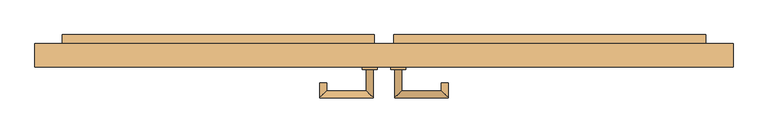
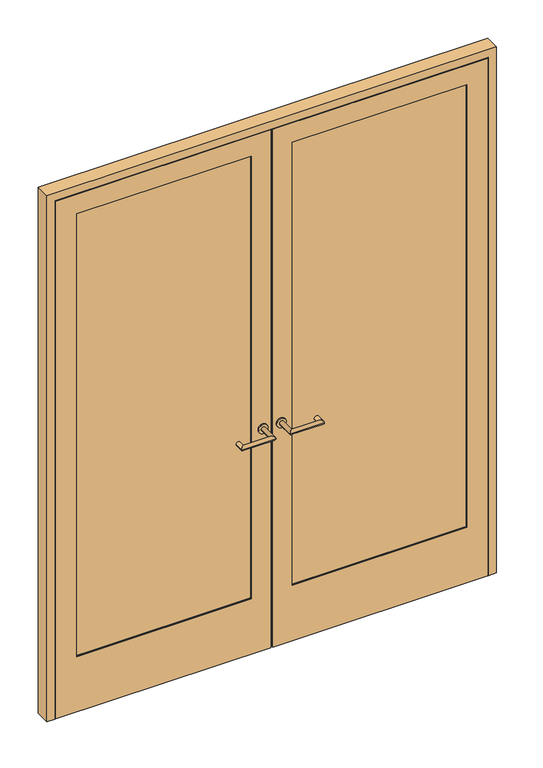
"""IFC4 building model written with IfcOpenShell, lengths in millimetres: door geometry."""

from ifc_helpers import new_model, si_unit, point, frame, frame_2d, origin, place, context, project, spatial, polyline, circle_curve, ellipse_curve, trimmed, segment, composite_curve, outline, extrude, faceted_brep, source, transform, mapped, element, save
from ifc_brep_helpers import plane_surface, cylinder_surface, advanced_brep


def door_640748f1(model_context):
    return source(origin(), model_context, "Body", "SolidModel", [
        extrude(outline(polyline([(2377.8, -937.8), (0.0, -937.8), (0.0, -4.7625), (2377.8, -4.7625), (2377.8, -937.8)]), holes=[polyline([(254.0, -847.3125), (2287.3125, -847.3125), (2287.3125, -88.9), (254.0, -88.9), (254.0, -847.3125)])]), frame((0.0, -19.05, 0.0), z_axis=(0.0, 1.0, 0.0), x_axis=(0.0, 0.0, 1.0)), (0.0, 0.0, 1.0), 2.4553029),
        faceted_brep([(-917.1625, 42.6733196, 2357.1625), (-4.7625, 42.6733196, 2357.1625), (-4.7625, 42.6733196, 2339.7), (-899.7, 42.6733196, 2339.7), (-899.7, 42.6733196, 0.0), (-917.1625, 42.6733196, 0.0), (-917.1625, -16.5946971, 2357.1625), (-917.1625, -16.5946971, 0.0), (-4.7625, -16.5946971, 0.0), (-4.7625, -16.5946971, 2357.1625), (-847.3125, -16.5946971, 2287.3125), (-88.9, -16.5946971, 2287.3125), (-88.9, -16.5946971, 254.0), (-847.3125, -16.5946971, 254.0), (-4.7625, 46.0375, 0.0), (-4.7625, 46.0375, 2339.7), (-88.9, 46.0375, 2287.3125), (-88.9, 46.0375, 254.0), (-847.3125, 46.0375, 2287.3125), (-847.3125, 46.0375, 254.0), (-899.7, 46.0375, 0.0), (-899.7, 46.0375, 2339.7)], [[[0, 1, 2, 3, 4, 5]], [[6, 7, 8, 9], [10, 11, 12, 13]], [[1, 0, 6, 9]], [[9, 8, 14, 15, 2, 1]], [[12, 11, 16, 17]], [[16, 11, 10, 18]], [[18, 10, 13, 19]], [[14, 8, 7, 5, 4, 20]], [[0, 5, 7, 6]], [[20, 21, 15, 14], [19, 17, 16, 18]], [[21, 20, 4, 3]], [[15, 21, 3, 2]], [[19, 13, 12, 17]]]),
        extrude(outline(polyline([(-847.3125, 12.7), (-88.9, 12.7), (-88.9, -12.7), (-847.3125, -12.7), (-847.3125, 12.7)])), frame((0.0, 0.0, 254.0), z_axis=(0.0, 0.0, 1.0), x_axis=(1.0, 0.0, 0.0)), (0.0, 0.0, 1.0), 2033.3125),
        advanced_brep(
        [(-49.2125, -25.4, 1020.7625), (-30.1625, -25.4, 1020.7625), (-30.1625, -104.775, 1020.7625), (-49.2125, -85.725, 1020.7625), (-179.3875, -104.775, 1020.7625), (-160.3375, -85.725, 1020.7625), (-160.3375, -63.5, 1020.7625), (-179.3875, -63.5, 1020.7625)],
        [
            (0, 1, circle_curve(frame((-39.6875, -25.4, 1020.7625), z_axis=(0.0, 1.0, 0.0), x_axis=(1.0000000000000004, 0.0, 0.0)), 9.525)),
            (1, 0, circle_curve(frame((-39.6875, -25.4, 1020.7625), z_axis=(0.0, 1.0, 0.0), x_axis=(1.0000000000000004, 0.0, 0.0)), 9.525)),
            (1, 2),
            (2, 3, ellipse_curve(frame((-39.6875, -95.25, 1020.7625), z_axis=(0.7071067811865588, 0.7071067811865362, 0.0), x_axis=(-0.7071067811865362, 0.7071067811865588, 0.0)), 13.4703842, 9.525)),
            (3, 0),
            (3, 2, ellipse_curve(frame((-39.6875, -95.25, 1020.7625), z_axis=(0.7071067811865588, 0.7071067811865362, 0.0), x_axis=(-0.7071067811865362, 0.7071067811865588, 0.0)), 13.4703842, 9.525)),
            (2, 4),
            (4, 5, ellipse_curve(frame((-169.8625, -95.25, 1020.7625), z_axis=(0.707106781186536, -0.707106781186559, 0.0), x_axis=(0.707106781186559, 0.7071067811865359, 0.0)), 13.4703842, 9.525)),
            (5, 3),
            (5, 4, ellipse_curve(frame((-169.8625, -95.25, 1020.7625), z_axis=(0.707106781186536, -0.707106781186559, 0.0), x_axis=(0.707106781186559, 0.7071067811865359, 0.0)), 13.4703842, 9.525)),
            (6, 7, circle_curve(frame((-169.8625, -63.5, 1020.7625), z_axis=(0.0, 1.0, 0.0), x_axis=(-1.0000000000000004, 0.0, 0.0)), 9.525)),
            (7, 6, circle_curve(frame((-169.8625, -63.5, 1020.7625), z_axis=(0.0, 1.0, 0.0), x_axis=(-1.0000000000000004, 0.0, 0.0)), 9.525)),
            (4, 7),
            (6, 5),
        ],
        [
            plane_surface(frame((-39.6875, -25.4, 0.0), z_axis=(0.0, 1.0, 0.0), x_axis=(0.0, 0.0, 1.0))),
            cylinder_surface(frame((-39.6875, -25.4, 1020.7625), z_axis=(0.0, 1.0000000000000004, 0.0), x_axis=(1.0000000000000004, 0.0, 0.0)), 9.525),
            cylinder_surface(frame((-39.6875, -95.25, 1020.7625), z_axis=(1.0000000000000004, 0.0, 0.0), x_axis=(0.0, -1.0000000000000004, 0.0)), 9.525),
            plane_surface(frame((-169.8625, -63.5, 0.0), z_axis=(0.0, 1.0, 0.0), x_axis=(0.0, 0.0, 1.0))),
            cylinder_surface(frame((-169.8625, -95.25, 1020.7625), z_axis=(0.0, -1.0000000000000004, 0.0), x_axis=(-1.0000000000000004, 0.0, 0.0)), 9.525),
        ],
        [
            (0, [[1, 2]]),
            (1, [[-2, 3, 4, 5]]),
            (1, [[-1, -5, 6, -3]]),
            (2, [[-4, 7, 8, 9]]),
            (2, [[-6, -9, 10, -7]]),
            (3, [[11, 12]]),
            (4, [[-8, 13, -11, 14]]),
            (4, [[-10, -14, -12, -13]]),
        ],
    ),
        extrude(outline(polyline([(-899.7, 71.4375), (-26.9875, 71.4375), (-26.9875, 46.0375), (-899.7, 46.0375), (-899.7, 71.4375)])), frame((0.0, 0.0, 986.63125), z_axis=(0.0, 0.0, 1.0), x_axis=(1.0, 0.0, 0.0)), (0.0, 0.0, 1.0), 68.2625),
        extrude(outline(composite_curve([segment(trimmed(circle_curve(frame_2d((1020.7625, -39.6875)), 20.6375), [point((1020.7625, -60.325))], [point((1020.7625, -19.05))], False, "CARTESIAN"), True, "CONTINUOUS"), segment(trimmed(circle_curve(frame_2d((1020.7625, -39.6875)), 20.6375), [point((1020.7625, -19.05))], [point((1020.7625, -60.325))], False, "CARTESIAN"), True, "CONTINUOUS")], self_intersect=False)), frame((0.0, -25.4, 0.0), z_axis=(0.0, 1.0, 0.0), x_axis=(0.0, 0.0, 1.0)), (0.0, 0.0, 1.0), 6.35),
        extrude(outline(polyline([(2377.8, 937.8), (2377.8, 4.7625), (0.0, 4.7625), (0.0, 937.8), (2377.8, 937.8)]), holes=[polyline([(254.0, 847.3125), (254.0, 88.9), (2287.3125, 88.9), (2287.3125, 847.3125), (254.0, 847.3125)])]), frame((0.0, -19.05, 0.0), z_axis=(0.0, 1.0, 0.0), x_axis=(0.0, 0.0, 1.0)), (0.0, 0.0, 1.0), 2.4553029),
        faceted_brep([(917.1625, 42.6733196, 2357.1625), (917.1625, 42.6733196, 0.0), (899.7, 42.6733196, 0.0), (899.7, 42.6733196, 2339.7), (4.7625, 42.6733196, 2339.7), (4.7625, 42.6733196, 2357.1625), (917.1625, -16.5946971, 2357.1625), (4.7625, -16.5946971, 2357.1625), (4.7625, -16.5946971, 0.0), (917.1625, -16.5946971, 0.0), (847.3125, -16.5946971, 2287.3125), (847.3125, -16.5946971, 254.0), (88.9, -16.5946971, 254.0), (88.9, -16.5946971, 2287.3125), (4.7625, 46.0375, 2339.7), (4.7625, 46.0375, 0.0), (88.9, 46.0375, 254.0), (88.9, 46.0375, 2287.3125), (847.3125, 46.0375, 2287.3125), (847.3125, 46.0375, 254.0), (899.7, 46.0375, 0.0), (899.7, 46.0375, 2339.7)], [[[0, 1, 2, 3, 4, 5]], [[6, 7, 8, 9], [10, 11, 12, 13]], [[5, 7, 6, 0]], [[7, 5, 4, 14, 15, 8]], [[12, 16, 17, 13]], [[17, 18, 10, 13]], [[18, 19, 11, 10]], [[15, 20, 2, 1, 9, 8]], [[0, 6, 9, 1]], [[20, 15, 14, 21], [19, 18, 17, 16]], [[21, 3, 2, 20]], [[14, 4, 3, 21]], [[19, 16, 12, 11]]]),
        extrude(outline(polyline([(847.3125, 12.7), (847.3125, -12.7), (88.9, -12.7), (88.9, 12.7), (847.3125, 12.7)])), frame((0.0, 0.0, 254.0), z_axis=(0.0, 0.0, 1.0), x_axis=(1.0, 0.0, 0.0)), (0.0, 0.0, 1.0), 2033.3125),
        advanced_brep(
        [(49.2125, -25.4, 1020.7625), (30.1625, -25.4, 1020.7625), (49.2125, -85.725, 1020.7625), (30.1625, -104.775, 1020.7625), (160.3375, -85.725, 1020.7625), (179.3875, -104.775, 1020.7625), (160.3375, -63.5, 1020.7625), (179.3875, -63.5, 1020.7625)],
        [
            (0, 1, circle_curve(frame((39.6875, -25.4, 1020.7625), z_axis=(0.0, 1.0, 0.0), x_axis=(-1.0000000000000004, 0.0, 0.0)), 9.525)),
            (1, 0, circle_curve(frame((39.6875, -25.4, 1020.7625), z_axis=(0.0, 1.0, 0.0), x_axis=(-1.0000000000000004, 0.0, 0.0)), 9.525)),
            (0, 2),
            (2, 3, ellipse_curve(frame((39.6875, -95.25, 1020.7625), z_axis=(-0.7071067811865588, 0.7071067811865362, 0.0), x_axis=(0.7071067811865362, 0.7071067811865588, 0.0)), 13.4703842, 9.525)),
            (3, 1),
            (3, 2, ellipse_curve(frame((39.6875, -95.25, 1020.7625), z_axis=(-0.7071067811865588, 0.7071067811865362, 0.0), x_axis=(0.7071067811865362, 0.7071067811865588, 0.0)), 13.4703842, 9.525)),
            (2, 4),
            (4, 5, ellipse_curve(frame((169.8625, -95.25, 1020.7625), z_axis=(-0.707106781186536, -0.707106781186559, 0.0), x_axis=(-0.707106781186559, 0.7071067811865359, 0.0)), 13.4703842, 9.525)),
            (5, 3),
            (5, 4, ellipse_curve(frame((169.8625, -95.25, 1020.7625), z_axis=(-0.707106781186536, -0.707106781186559, 0.0), x_axis=(-0.707106781186559, 0.7071067811865359, 0.0)), 13.4703842, 9.525)),
            (6, 7, circle_curve(frame((169.8625, -63.5, 1020.7625), z_axis=(0.0, 1.0, 0.0), x_axis=(1.0000000000000004, 0.0, 0.0)), 9.525)),
            (7, 6, circle_curve(frame((169.8625, -63.5, 1020.7625), z_axis=(0.0, 1.0, 0.0), x_axis=(1.0000000000000004, 0.0, 0.0)), 9.525)),
            (4, 6),
            (7, 5),
        ],
        [
            plane_surface(frame((39.6875, -25.4, 0.0), z_axis=(0.0, 1.0, 0.0), x_axis=(0.0, 0.0, 1.0))),
            cylinder_surface(frame((39.6875, -25.4, 1020.7625), z_axis=(0.0, 1.0000000000000004, 0.0), x_axis=(-1.0000000000000004, 0.0, 0.0)), 9.525),
            cylinder_surface(frame((39.6875, -95.25, 1020.7625), z_axis=(-1.0000000000000004, 0.0, 0.0), x_axis=(0.0, -1.0000000000000004, 0.0)), 9.525),
            plane_surface(frame((169.8625, -63.5, 0.0), z_axis=(0.0, 1.0, 0.0), x_axis=(0.0, 0.0, 1.0))),
            cylinder_surface(frame((169.8625, -95.25, 1020.7625), z_axis=(0.0, -1.0000000000000004, 0.0), x_axis=(1.0000000000000004, 0.0, 0.0)), 9.525),
        ],
        [
            (0, [[1, 2]]),
            (1, [[3, 4, 5, -1]]),
            (1, [[-5, 6, -3, -2]]),
            (2, [[7, 8, 9, -4]]),
            (2, [[-9, 10, -7, -6]]),
            (3, [[11, 12]]),
            (4, [[13, -12, 14, -8]]),
            (4, [[-14, -11, -13, -10]]),
        ],
    ),
        extrude(outline(polyline([(899.7, 71.4375), (899.7, 46.0375), (26.9875, 46.0375), (26.9875, 71.4375), (899.7, 71.4375)])), frame((0.0, 0.0, 986.63125), z_axis=(0.0, 0.0, 1.0), x_axis=(1.0, 0.0, 0.0)), (0.0, 0.0, 1.0), 68.2625),
        extrude(outline(composite_curve([segment(trimmed(circle_curve(frame_2d((1020.7625, 39.6875)), 20.6375), [point((1020.7625, 60.325))], [point((1020.7625, 19.05))], False, "CARTESIAN"), True, "CONTINUOUS"), segment(trimmed(circle_curve(frame_2d((1020.7625, 39.6875)), 20.6375), [point((1020.7625, 19.05))], [point((1020.7625, 60.325))], False, "CARTESIAN"), True, "CONTINUOUS")], self_intersect=False)), frame((0.0, -25.4, 0.0), z_axis=(0.0, 1.0, 0.0), x_axis=(0.0, 0.0, 1.0)), (0.0, 0.0, 1.0), 6.35),
        faceted_brep([(975.9, -19.05, 0.0), (940.975, -19.05, 0.0), (940.975, -12.7, 0.0), (926.6875, -12.7, 0.0), (926.6875, 42.8625, 0.0), (906.05, 42.8625, 0.0), (906.05, 46.0375, 0.0), (975.9, 46.0375, 0.0), (975.9, 46.0375, 2415.9), (975.9, -19.05, 2415.9), (906.05, 46.0375, 2346.05), (-906.05, 46.0375, 2346.05), (-906.05, 46.0375, 0.0), (-975.9, 46.0375, 0.0), (-975.9, 46.0375, 2415.9), (906.05, 42.8625, 2346.05), (926.6875, 42.8625, 2366.6875), (-926.6875, 42.8625, 2366.6875), (-926.6875, 42.8625, 0.0), (-906.05, 42.8625, 0.0), (-906.05, 42.8625, 2346.05), (926.6875, -12.7, 2366.6875), (940.975, -12.7, 2380.975), (-940.975, -12.7, 2380.975), (-940.975, -12.7, 0.0), (-926.6875, -12.7, 0.0), (-926.6875, -12.7, 2366.6875), (940.975, -19.05, 2380.975), (-975.9, -19.05, 2415.9), (-975.9, -19.05, 0.0), (-940.975, -19.05, 0.0), (-940.975, -19.05, 2380.975)], [[[0, 1, 2, 3, 4, 5, 6, 7]], [[7, 8, 9, 0]], [[6, 10, 11, 12, 13, 14, 8, 7]], [[5, 15, 10, 6]], [[4, 16, 17, 18, 19, 20, 15, 5]], [[3, 21, 16, 4]], [[2, 22, 23, 24, 25, 26, 21, 3]], [[1, 27, 22, 2]], [[0, 9, 28, 29, 30, 31, 27, 1]], [[14, 13, 29, 28]], [[29, 13, 12, 19, 18, 25, 24, 30]], [[20, 19, 12, 11]], [[26, 25, 18, 17]], [[31, 30, 24, 23]], [[8, 14, 28, 9]], [[15, 20, 11, 10]], [[27, 31, 23, 22]], [[21, 26, 17, 16]]]),
    ])


if __name__ == "__main__":
    model = new_model("IFC4")
    model_context = context("Model", 3, world=origin())
    ifc_project = project(units=[si_unit("LENGTHUNIT", "METRE", prefix="MILLI")], contexts=[model_context])
    site = spatial("IfcSite", under=ifc_project)
    building = spatial("IfcBuilding", under=site)
    placement = place(None, origin())
    door_shape = door_640748f1(model_context)
    element("IfcDoor", 1, at=placement, inside=building, context=model_context, shape_type="MappedRepresentation", body=[
        mapped(door_shape, transform((0.0, 0.0, 0.0), x_axis=(1.0, 0.0, 0.0), y_axis=(0.0, 1.0, 0.0), z_axis=(0.0, 0.0, 1.0))),
    ])
    save(model, "model.ifc")
